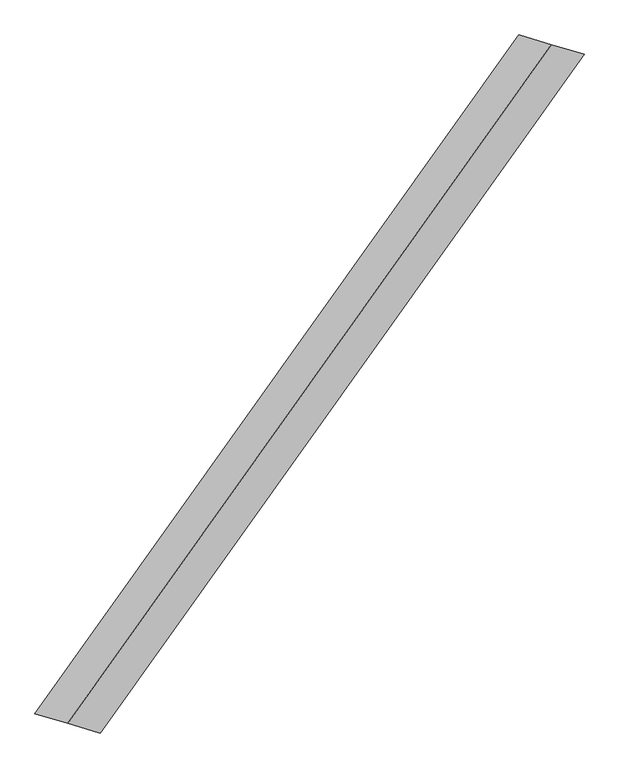
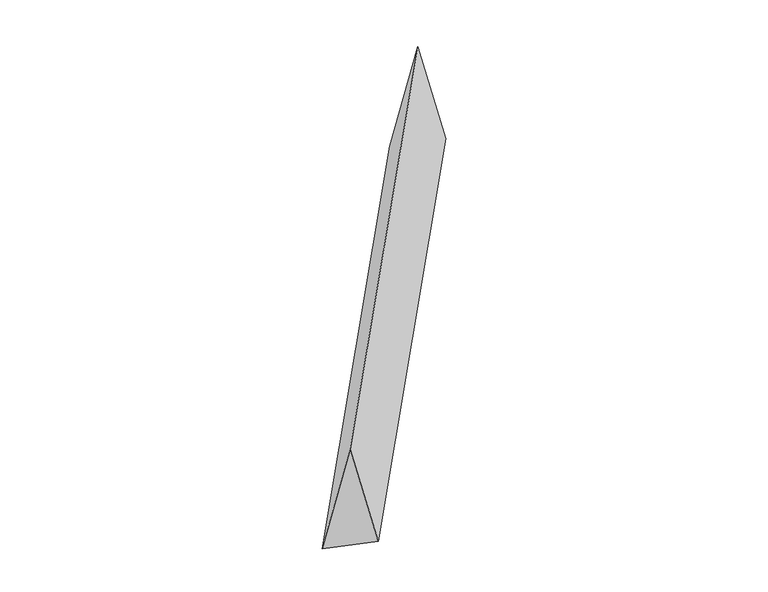
"""IFC4 building model written with IfcOpenShell, lengths in millimetres: proxy geometry."""

from ifc_helpers import new_model, si_unit, origin, place, context, project, spatial, faceted_brep, source, transform, mapped, element, save


def generic_models_719eeacc(model_context):
    return source(origin(), model_context, "Body", "Brep", [
        faceted_brep([(-1228.9854656, -1722.4837001, 700.0), (-1063.3284057, -1771.3963696, 0.0), (1394.6425255, 1673.5710306, 0.0), (1228.9854656, 1722.4837001, 700.0), (-1394.6425255, -1673.5710306, 0.0), (1063.3284057, 1771.3963696, 0.0)], [[[0, 1, 2, 3]], [[1, 4, 5, 2]], [[4, 0, 3, 5]], [[3, 2, 5]], [[0, 4, 1]]]),
    ])


if __name__ == "__main__":
    model = new_model("IFC4")
    model_context = context("Model", 3, world=origin())
    ifc_project = project(units=[si_unit("LENGTHUNIT", "METRE", prefix="MILLI")], contexts=[model_context])
    site = spatial("IfcSite", under=ifc_project)
    building = spatial("IfcBuilding", under=site)
    placement = place(None, origin())
    generic_models_shape = generic_models_719eeacc(model_context)
    element("IfcBuildingElementProxy", 1, Name="Generic Models", at=placement, inside=building, context=model_context, shape_type="MappedRepresentation", body=[
        mapped(generic_models_shape, transform((0.0, 0.0, 0.0), x_axis=(1.0, 0.0, 0.0), y_axis=(0.0, 1.0, 0.0), z_axis=(0.0, 0.0, 1.0))),
    ])
    save(model, "model.ifc")
